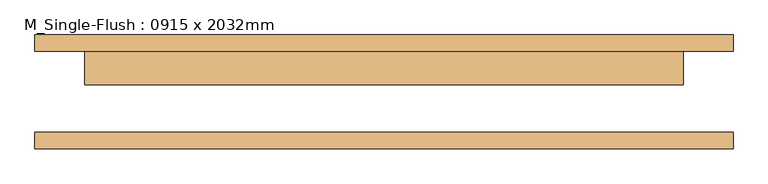
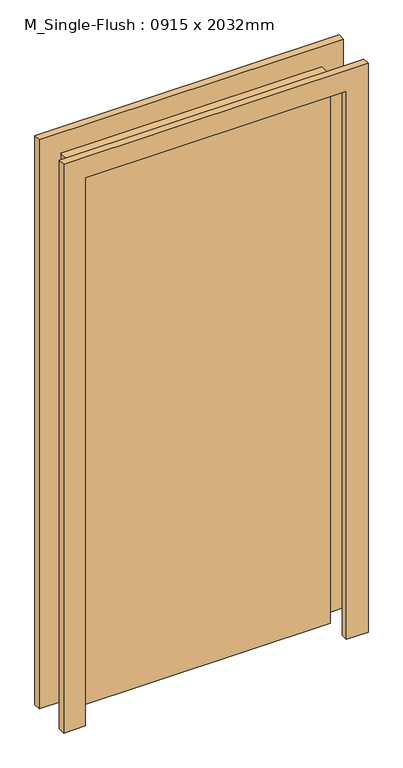
"""IFC4 building model written with IfcOpenShell, lengths in millimetres: door geometry, M_Single-Flush : 0915 x 2032mm."""

from ifc_helpers import new_model, si_unit, frame, origin, origin_with_axes, place, context, project, spatial, polyline, outline, extrude, source, transform, mapped, element, save


def m_single_flush_0915_x_2032mm_310522da(model_context):
    return source(origin(), model_context, "Body", "SweptSolid", [
        extrude(outline(polyline([(2108.0, -533.5), (0.0, -533.5), (0.0, -457.5), (2032.0, -457.5), (2032.0, 457.5), (0.0, 457.5), (0.0, 533.5), (2108.0, 533.5), (2108.0, -533.5)])), frame((0.0, 62.0, 0.0), z_axis=(0.0, 1.0, 0.0), x_axis=(0.0, 0.0, 1.0)), (0.0, 0.0, 1.0), 25.0),
        extrude(outline(polyline([(2108.0, 533.5), (2108.0, -533.5), (0.0, -533.5), (0.0, -457.5), (2032.0, -457.5), (2032.0, 457.5), (0.0, 457.5), (0.0, 533.5), (2108.0, 533.5)])), frame((0.0, -87.0, 0.0), z_axis=(0.0, 1.0, 0.0), x_axis=(0.0, 0.0, 1.0)), (0.0, 0.0, 1.0), 25.0),
        extrude(outline(polyline([(457.5, 11.0), (-457.5, 11.0), (-457.5, 62.0), (457.5, 62.0), (457.5, 11.0)])), origin_with_axes(), (0.0, 0.0, 1.0), 2032.0),
    ])


if __name__ == "__main__":
    model = new_model("IFC4")
    model_context = context("Model", 3, world=origin())
    ifc_project = project(units=[si_unit("LENGTHUNIT", "METRE", prefix="MILLI")], contexts=[model_context])
    site = spatial("IfcSite", under=ifc_project)
    building = spatial("IfcBuilding", under=site)
    placement = place(None, origin())
    m_single_flush_0915_x_2032mm_shape = m_single_flush_0915_x_2032mm_310522da(model_context)
    element("IfcDoor", 1, ObjectType="M_Single-Flush : 0915 x 2032mm", at=placement, inside=building, context=model_context, shape_type="MappedRepresentation", body=[
        mapped(m_single_flush_0915_x_2032mm_shape, transform((0.0, 0.0, 0.0), x_axis=(1.0, 0.0, 0.0), y_axis=(0.0, 1.0, 0.0), z_axis=(0.0, 0.0, 1.0))),
    ])
    save(model, "model.ifc")
